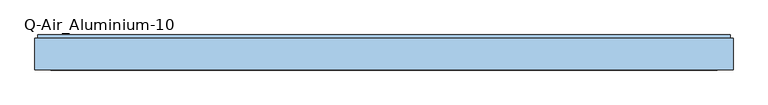
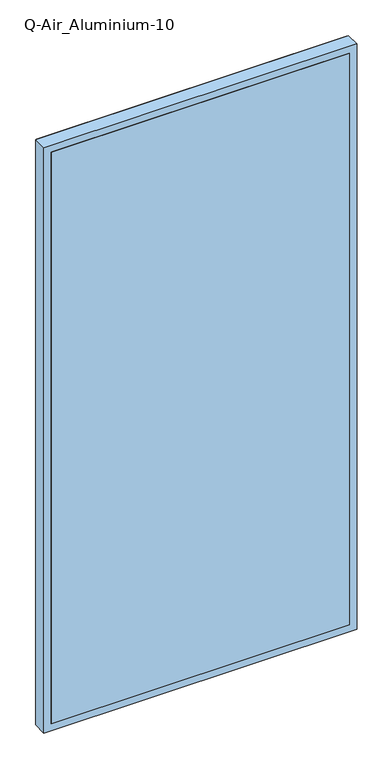
"""IFC4 building model written with IfcOpenShell, lengths in millimetres: window geometry, Q-Air_Aluminium-10."""

from ifc_helpers import new_model, si_unit, frame, origin, place, context, project, spatial, polyline, outline, extrude, source, transform, mapped, element, save


def q_air_aluminium_10_8140e9fc(model_context):
    return source(origin(), model_context, "Body", "SweptSolid", [
        extrude(outline(polyline([(5020.0, 1270.0), (5020.0, -1270.0), (0.0, -1270.0), (0.0, 1270.0), (5020.0, 1270.0)]), holes=[polyline([(4962.0, 1212.0), (58.0, 1212.0), (58.0, -1212.0), (4962.0, -1212.0), (4962.0, 1212.0)])]), frame((0.0, 0.0, 0.0), z_axis=(0.0, 1.0, 0.0), x_axis=(0.0, 0.0, 1.0)), (0.0, 0.0, 1.0), 114.5),
        extrude(outline(polyline([(1212.0, 0.0), (-1212.0, 0.0), (-1212.0, 12.5), (1212.0, 12.5), (1212.0, 0.0)])), frame((0.0, 0.0, 58.0), z_axis=(0.0, 0.0, 1.0), x_axis=(1.0, 0.0, 0.0)), (0.0, 0.0, 1.0), 4904.0),
        extrude(outline(polyline([(1260.0, 114.5), (-1260.0, 114.5), (-1260.0, 127.0), (1260.0, 127.0), (1260.0, 114.5)])), frame((0.0, 0.0, 10.0), z_axis=(0.0, 0.0, 1.0), x_axis=(1.0, 0.0, 0.0)), (0.0, 0.0, 1.0), 5000.0),
        extrude(outline(polyline([(5010.0, 1260.0), (5010.0, -1260.0), (10.0, -1260.0), (10.0, 1260.0), (5010.0, 1260.0)]), holes=[polyline([(4962.0, 1212.0), (58.0, 1212.0), (58.0, -1212.0), (4962.0, -1212.0), (4962.0, 1212.0)])]), frame((0.0, 114.5, 0.0), z_axis=(0.0, 1.0, 0.0), x_axis=(0.0, 0.0, 1.0)), (0.0, 0.0, 1.0), 4.0),
    ])


if __name__ == "__main__":
    model = new_model("IFC4")
    model_context = context("Model", 3, world=origin())
    ifc_project = project(units=[si_unit("LENGTHUNIT", "METRE", prefix="MILLI")], contexts=[model_context])
    site = spatial("IfcSite", under=ifc_project)
    building = spatial("IfcBuilding", under=site)
    placement = place(None, origin())
    q_air_aluminium_10_shape = q_air_aluminium_10_8140e9fc(model_context)
    element("IfcWindow", 1, ObjectType="Q-Air_Aluminium-10", at=placement, inside=building, context=model_context, shape_type="MappedRepresentation", body=[
        mapped(q_air_aluminium_10_shape, transform((0.0, 0.0, 0.0), x_axis=(1.0, 0.0, 0.0), y_axis=(0.0, 1.0, 0.0), z_axis=(0.0, 0.0, 1.0))),
    ])
    save(model, "model.ifc")
